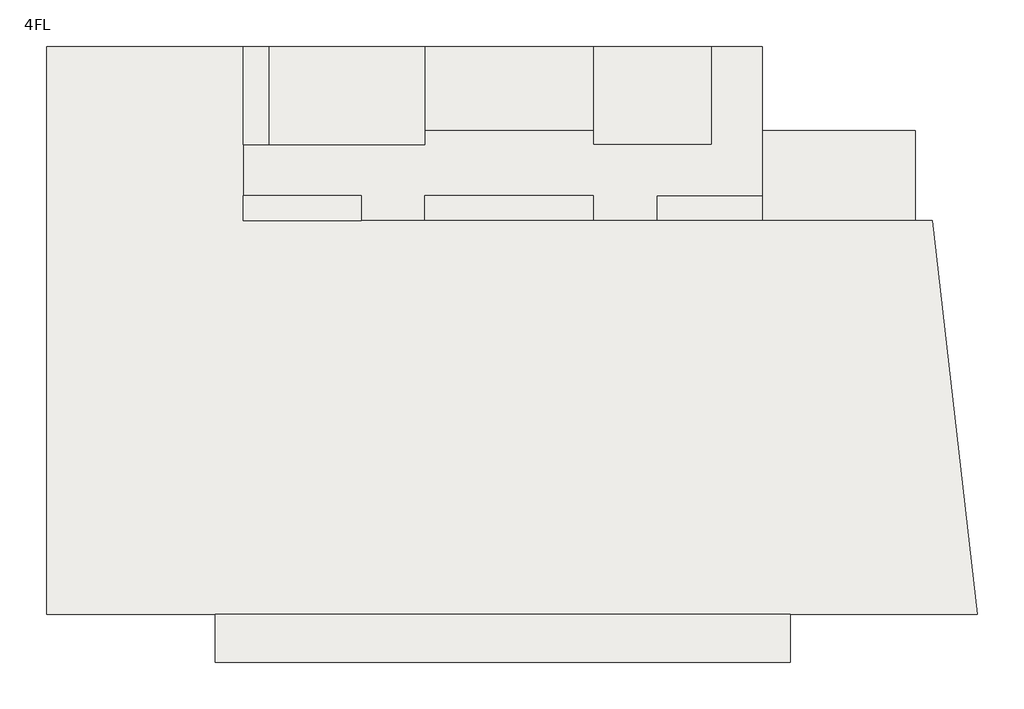
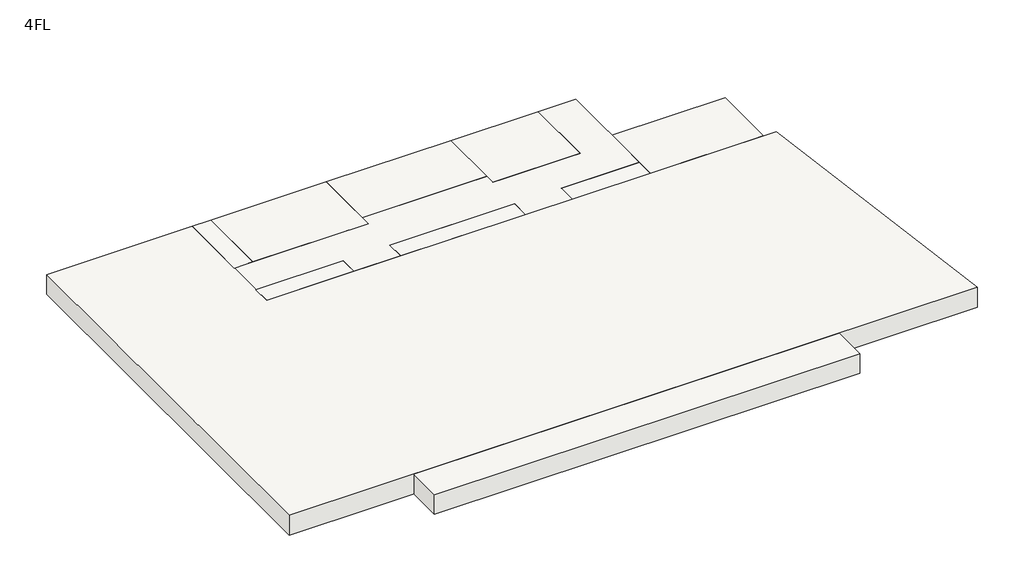
# One storey: 11 slabs.
"""IFC4 building model written with IfcOpenShell, lengths in millimetres."""

from ifc_helpers import new_model, si_unit, frame, origin, place, context, project, spatial, polyline, outline, extrude, element, save

model = new_model("IFC4")

# Units and contexts
model_context = context("Model", 3, world=origin())
ifc_project = project(units=[si_unit("LENGTHUNIT", "METRE", prefix="MILLI")], contexts=[model_context])

# Site, building, storey
site = spatial("IfcSite", under=ifc_project)
building = spatial("IfcBuilding", under=site)
storey = spatial("IfcBuildingStorey", under=building, Name="4FL", Elevation=12600.0)

# Slabs
placement = place(None, origin())
element("IfcSlab", 1, at=placement, inside=storey, context=model_context, shape_type="SweptSolid", body=[
    extrude(outline(polyline([(2054.0215975, 13649.6868987), (2054.0215975, 10449.6868987), (-3395.9784025, 10449.6868987), (-3395.9784025, 13649.6868987), (2054.0215975, 13649.6868987)])), frame((0.0, 0.0, 11600.0), z_axis=(0.0, 0.0, 1.0), x_axis=(1.0, 0.0, 0.0)), (0.0, 0.0, 1.0), 1000.0),
])
element("IfcSlab", 2, at=placement, inside=storey, context=model_context, shape_type="SweptSolid", body=[
    extrude(outline(polyline([(-3395.9784025, 11349.6868987), (-3395.9784025, 10449.6868987), (-7145.9784025, 10449.6868987), (-7145.9784025, 11349.6868987), (-3395.9784025, 11349.6868987)])), frame((0.0, 0.0, 11600.0), z_axis=(0.0, 0.0, 1.0), x_axis=(1.0, 0.0, 0.0)), (0.0, 0.0, 1.0), 1000.0),
])
element("IfcSlab", 3, at=placement, inside=storey, context=model_context, shape_type="SweptSolid", body=[
    extrude(outline(polyline([(-9395.9784025, 11349.6868987), (-9395.9784025, 10449.6868987), (-15395.9784025, 10449.6868987), (-15395.9784025, 11349.6868987), (-9395.9784025, 11349.6868987)])), frame((0.0, 0.0, 11600.0), z_axis=(0.0, 0.0, 1.0), x_axis=(1.0, 0.0, 0.0)), (0.0, 0.0, 1.0), 1000.0),
])
element("IfcSlab", 4, at=placement, inside=storey, context=model_context, shape_type="SweptSolid", body=[
    extrude(outline(polyline([(-17645.9784025, 11349.6868987), (-17645.9784025, 10449.6868987), (-21845.9784025, 10449.6868987), (-21845.9784025, 11349.6868987), (-17645.9784025, 11349.6868987)])), frame((0.0, 0.0, 11600.0), z_axis=(0.0, 0.0, 1.0), x_axis=(1.0, 0.0, 0.0)), (0.0, 0.0, 1.0), 1000.0),
])
element("IfcSlab", 5, at=placement, inside=storey, context=model_context, shape_type="SweptSolid", body=[
    extrude(outline(polyline([(-20945.9784025, 16649.6868987), (-20945.9784025, 13149.6868987), (-21845.9784025, 13149.6868987), (-21845.9784025, 16649.6868987), (-20945.9784025, 16649.6868987)])), frame((0.0, 0.0, 11600.0), z_axis=(0.0, 0.0, 1.0), x_axis=(1.0, 0.0, 0.0)), (0.0, 0.0, 1.0), 1000.0),
])
element("IfcSlab", 6, at=placement, inside=storey, context=model_context, shape_type="SweptSolid", body=[
    extrude(outline(polyline([(-9395.9784025, 16649.6868987), (-9395.9784025, 13649.6868987), (-15395.9784025, 13649.6868987), (-15395.9784025, 16649.6868987), (-9395.9784025, 16649.6868987)])), frame((0.0, 0.0, 11600.0), z_axis=(0.0, 0.0, 1.0), x_axis=(1.0, 0.0, 0.0)), (0.0, 0.0, 1.0), 1000.0),
])
element("IfcSlab", 7, at=placement, inside=storey, context=model_context, shape_type="SweptSolid", body=[
    extrude(outline(polyline([(-5195.9784025, 16649.6868987), (-5195.9784025, 13149.6868987), (-9395.9784025, 13149.6868987), (-9395.9784025, 16649.6868987), (-5195.9784025, 16649.6868987)])), frame((0.0, 0.0, 11600.0), z_axis=(0.0, 0.0, 1.0), x_axis=(1.0, 0.0, 0.0)), (0.0, 0.0, 1.0), 1000.0),
])
element("IfcSlab", 8, at=placement, inside=storey, context=model_context, shape_type="SweptSolid", body=[
    extrude(outline(polyline([(-15395.9784025, 16649.6868987), (-15395.9784025, 13149.6868987), (-20945.9784025, 13149.6868987), (-20945.9784025, 16649.6868987), (-15395.9784025, 16649.6868987)])), frame((0.0, 0.0, 11600.0), z_axis=(0.0, 0.0, 1.0), x_axis=(1.0, 0.0, 0.0)), (0.0, 0.0, 1.0), 1000.0),
])
element("IfcSlab", 9, at=placement, inside=storey, context=model_context, shape_type="SweptSolid", body=[
    extrude(outline(polyline([(-28845.9784025, -3550.3131013), (-28845.9784025, 16649.6868987), (-21845.9784025, 16649.6868987), (-21845.9784025, 10449.6868987), (2661.9595949, 10449.6868987), (4261.9595949, -3550.3131013), (-28845.9784025, -3550.3131013)])), frame((0.0, 0.0, 11600.0), z_axis=(0.0, 0.0, 1.0), x_axis=(1.0, 0.0, 0.0)), (0.0, 0.0, 1.0), 1000.0),
])
element("IfcSlab", 10, at=placement, inside=storey, context=model_context, shape_type="SweptSolid", body=[
    extrude(outline(polyline([(-15395.9784025, 13149.6868987), (-15395.9784025, 13649.6868987), (-9395.9784025, 13649.6868987), (-9395.9784025, 13149.6868987), (-5195.9784025, 13149.6868987), (-5195.9784025, 16649.6868987), (-3395.9784025, 16649.6868987), (-3395.9784025, 11349.6868987), (-7145.9784025, 11349.6868987), (-7145.9784025, 10449.6868987), (-9395.9784025, 10449.6868987), (-9395.9784025, 11349.6868987), (-15395.9784025, 11349.6868987), (-15395.9784025, 10449.6868987), (-17645.9784025, 10449.6868987), (-17645.9784025, 11349.6868987), (-21845.9784025, 11349.6868987), (-21845.9784025, 13149.6868987), (-15395.9784025, 13149.6868987)])), frame((0.0, 0.0, 11600.0), z_axis=(0.0, 0.0, 1.0), x_axis=(1.0, 0.0, 0.0)), (0.0, 0.0, 1.0), 1000.0),
])
element("IfcSlab", 11, at=placement, inside=storey, context=model_context, shape_type="SweptSolid", body=[
    extrude(outline(polyline([(-22845.9784025, -3550.3131013), (-2395.9784025, -3550.3131013), (-2395.9784025, -5262.7442199), (-22845.9784025, -5262.7442199), (-22845.9784025, -3550.3131013)])), frame((0.0, 0.0, 11600.0), z_axis=(0.0, 0.0, 1.0), x_axis=(1.0, 0.0, 0.0)), (0.0, 0.0, 1.0), 1000.0),
])

save(model, "model.ifc")
